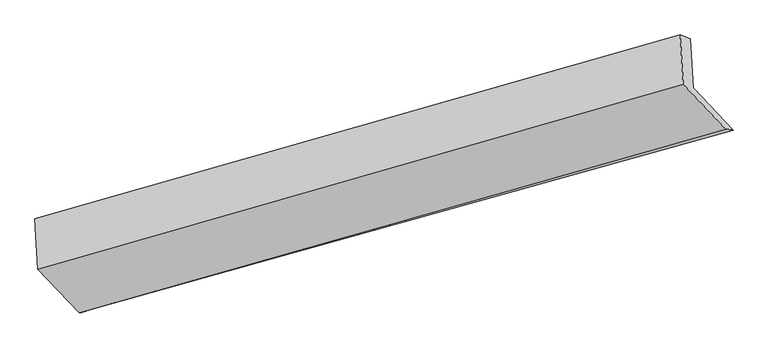
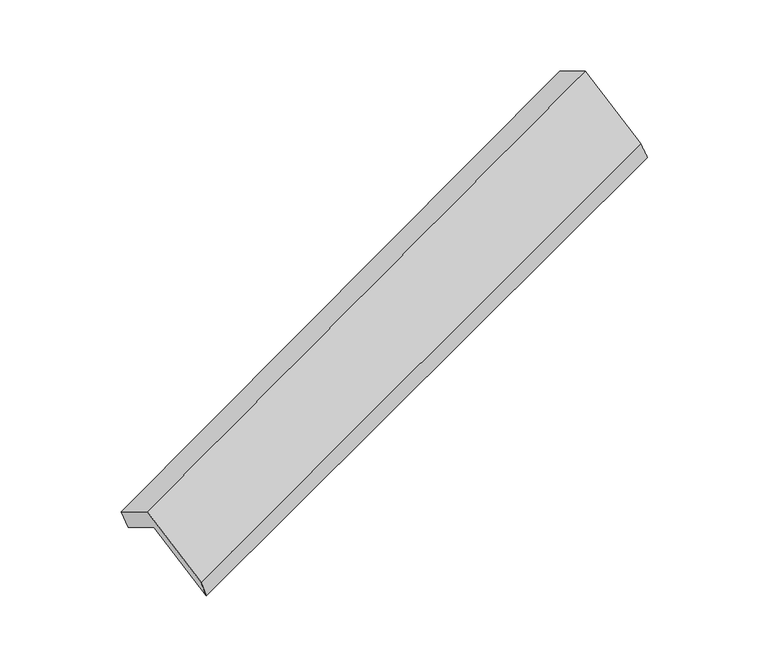
"""IFC4 building model written with IfcOpenShell, lengths in millimetres: proxy geometry."""

import ifcopenshell
import ifcopenshell.guid

model = None  # the IFC model being written
_history = None  # IfcOwnerHistory: only IFC2X3 demands one
_inside = {}  # id of a spatial element -> (the spatial element, [elements in it])
_under = {}  # id of a project, library or spatial element -> (it, [spatial elements below it])
_declared = {}  # id of a project -> (the project, [libraries it declares])
_typed = {}  # id of a type object -> (the type object, [elements of that type])
_made_of = {}  # id of a material, layer set ... -> (it, [elements and type objects made of it])


def new_model(schema):
    """Start an empty IFC model of exactly this schema.

    Asked for "IFC4X3", IfcOpenShell would pick the latest addendum, in which some entities
    have other attributes; the version numbers below select the first issue.
    IFC2X3 requires an IfcOwnerHistory on every rooted entity: one is made here for all.
    """
    global model, _history
    if schema == "IFC4X3":
        model = ifcopenshell.file(schema_version=(4, 3, 0, 0))
    else:
        model = ifcopenshell.file(schema=schema)
    _inside.clear()
    _under.clear()
    _declared.clear()
    _typed.clear()
    _made_of.clear()
    _history = None
    if model.schema == "IFC2X3":
        org = make("IfcOrganization", Name="unknown")
        user = make(
            "IfcPersonAndOrganization",
            ThePerson=make("IfcPerson", FamilyName="unknown"),
            TheOrganization=org,
        )
        app = make(
            "IfcApplication",
            ApplicationDeveloper=org,
            Version="unknown",
            ApplicationFullName="unknown",
            ApplicationIdentifier="unknown",
        )
        _history = make(
            "IfcOwnerHistory",
            OwningUser=user,
            OwningApplication=app,
            ChangeAction="ADDED",
            CreationDate=0,
        )
    return model


def make(cls, **values):
    """One entity of the class cls with the attributes given. An attribute that is None is left unset."""
    return model.create_entity(
        cls, **{name: value for name, value in values.items() if value is not None}
    )


def rooted(cls, **values):
    """An entity with a GlobalId (a new one), such as an element, a storey or a relation."""
    return make(cls, GlobalId=ifcopenshell.guid.new(), OwnerHistory=_history, **values)


def si_unit(unit_type, name, prefix=None):
    """IfcSIUnit, for example si_unit("LENGTHUNIT", "METRE", prefix="MILLI")."""
    return make("IfcSIUnit", UnitType=unit_type, Prefix=prefix, Name=name)


def assignment(units):
    """IfcUnitAssignment: the units of a project."""
    return None if units is None else make("IfcUnitAssignment", Units=units)


def point(xyz):
    """IfcCartesianPoint."""
    return None if xyz is None else make("IfcCartesianPoint", Coordinates=xyz)


def direction(xyz):
    """IfcDirection."""
    return None if xyz is None else make("IfcDirection", DirectionRatios=xyz)


def frame(location, z_axis=None, x_axis=None):
    """IfcAxis2Placement3D, a coordinate frame: its origin and axes. An axis left out is left unset."""
    return make(
        "IfcAxis2Placement3D",
        Location=point(location),
        Axis=direction(z_axis),
        RefDirection=direction(x_axis),
    )


def origin():
    """The frame at (0, 0, 0) with its axes left unset."""
    return frame((0.0, 0.0, 0.0))


def place(relative_to, where):
    """IfcLocalPlacement: puts the frame where relative to a parent placement (None: the world)."""
    return make(
        "IfcLocalPlacement", PlacementRelTo=relative_to, RelativePlacement=where
    )


def context(
    kind, dimensions, precision=None, world=None, true_north=None, identifier=None
):
    """IfcGeometricRepresentationContext, for example the 3D "Model" context."""
    return make(
        "IfcGeometricRepresentationContext",
        ContextIdentifier=identifier,
        ContextType=kind,
        CoordinateSpaceDimension=dimensions,
        Precision=precision,
        WorldCoordinateSystem=world,
        TrueNorth=true_north,
    )


def project(units=None, contexts=None):
    """IfcProject with its units and contexts."""
    return rooted(
        "IfcProject",
        Name="project",
        RepresentationContexts=contexts,
        UnitsInContext=assignment(units),
    )


def spatial(cls, under=None, at=None, **own):
    """A site, building, storey or space (cls), placed at a placement, below another one or the project."""
    s = rooted(cls, ObjectPlacement=at, **own)
    if under is not None:
        _under.setdefault(under.id(), (under, []))[1].append(s)
    return s


def shape(context_of_items, identifier, shape_type, items):
    """IfcShapeRepresentation: the items that make up one representation, for example the "Body"."""
    return make(
        "IfcShapeRepresentation",
        ContextOfItems=context_of_items,
        RepresentationIdentifier=identifier,
        RepresentationType=shape_type,
        Items=items,
    )


def source(mapping_origin, context_of_items, identifier, shape_type, items):
    """IfcRepresentationMap: a shape defined once, which mapped items show again and again."""
    return make(
        "IfcRepresentationMap",
        MappingOrigin=mapping_origin,
        MappedRepresentation=shape(context_of_items, identifier, shape_type, items),
    )


def transform(
    local_origin,
    x_axis=None,
    y_axis=None,
    z_axis=None,
    scale=None,
    scale2=None,
    scale3=None,
    uniform=True,
):
    """IfcCartesianTransformationOperator3D, or its non-uniform kind. x_axis, y_axis, z_axis: its Axis1, 2, 3."""
    if uniform:
        return make(
            "IfcCartesianTransformationOperator3D",
            Axis1=direction(x_axis),
            Axis2=direction(y_axis),
            LocalOrigin=point(local_origin),
            Scale=scale,
            Axis3=direction(z_axis),
        )
    return make(
        "IfcCartesianTransformationOperator3DnonUniform",
        Axis1=direction(x_axis),
        Axis2=direction(y_axis),
        LocalOrigin=point(local_origin),
        Scale=scale,
        Axis3=direction(z_axis),
        Scale2=scale2,
        Scale3=scale3,
    )


def mapped(mapping_source, mapping_target):
    """IfcMappedItem: shows the shape of a source again, moved by a transform."""
    return make(
        "IfcMappedItem", MappingSource=mapping_source, MappingTarget=mapping_target
    )


def made_of(thing, what):
    """Note that an element or type object is made of a material, layer set ...; save() writes the relation."""
    if what is not None:
        _made_of.setdefault(what.id(), (what, []))[1].append(thing)
    return thing


def element(
    cls,
    number,
    at=None,
    inside=None,
    cuts=None,
    type_object=None,
    material=None,
    context=None,
    identifier="Body",
    shape_type=None,
    held_by="IfcProductDefinitionShape",
    body=None,
    shapes=None,
    **own,
):
    """One element of the class cls, such as IfcWall. Its Tag is "e" and its number.

    at: its placement. inside: the storey or other place that contains it. cuts: it is an
    opening in that element (IfcRelVoidsElement). A single representation is given by context,
    identifier, shape_type and body (its items); several are given by shapes. held_by: the class
    of the entity that holds the representations. save() writes the other relations.
    """
    e = rooted(cls, Tag="e%d" % number, ObjectPlacement=at, **own)
    if body is not None:
        shapes = [shape(context, identifier, shape_type, body)]
    if shapes is not None:
        e.Representation = make(held_by, Representations=shapes)
    if inside is not None:
        _inside.setdefault(inside.id(), (inside, []))[1].append(e)
    if cuts is not None:
        rooted(
            "IfcRelVoidsElement", RelatingBuildingElement=cuts, RelatedOpeningElement=e
        )
    if type_object is not None:
        _typed.setdefault(type_object.id(), (type_object, []))[1].append(e)
    return made_of(e, material)


def aggregate(whole, parts):
    """IfcRelAggregates: a whole, such as a stair, and the parts it consists of."""
    return rooted("IfcRelAggregates", RelatingObject=whole, RelatedObjects=parts)


def save(model, path):
    """Write the relations noted so far, then the file.

    IfcRelAggregates (storeys below a building ...), IfcRelContainedInSpatialStructure (elements
    in a storey), IfcRelDefinesByType, IfcRelAssociatesMaterial and IfcRelDeclares: one each for
    every whole, place, type object, material and project.
    """
    for whole, parts in _under.values():
        aggregate(whole, parts)
    for where, things in _inside.values():
        rooted(
            "IfcRelContainedInSpatialStructure",
            RelatedElements=things,
            RelatingStructure=where,
        )
    for kind, things in _typed.values():
        rooted("IfcRelDefinesByType", RelatedObjects=things, RelatingType=kind)
    for what, things in _made_of.values():
        rooted("IfcRelAssociatesMaterial", RelatedObjects=things, RelatingMaterial=what)
    for by, libraries in _declared.values():
        rooted("IfcRelDeclares", RelatingContext=by, RelatedDefinitions=libraries)
    model.write(path)


def plane_surface(at):
    """IfcPlane: the flat surface through the origin of the frame at, square to its z axis."""
    return make("IfcPlane", Position=at)


def spline_surface(u_degree, v_degree, points, u_multiplicities, v_multiplicities, u_knots, v_knots, weights=None):
    """IfcBSplineSurfaceWithKnots; with weights, IfcRationalBSplineSurfaceWithKnots. points: one row for each step in u."""
    own = dict(
        UDegree=u_degree,
        VDegree=v_degree,
        ControlPointsList=[[point(p) for p in row] for row in points],
        SurfaceForm="UNSPECIFIED",
        UClosed=False,
        VClosed=False,
        SelfIntersect=False,
        UMultiplicities=u_multiplicities,
        VMultiplicities=v_multiplicities,
        UKnots=u_knots,
        VKnots=v_knots,
        KnotSpec="UNSPECIFIED",
    )
    if weights is None:
        return make("IfcBSplineSurfaceWithKnots", **own)
    return make("IfcRationalBSplineSurfaceWithKnots", WeightsData=weights, **own)


def advanced_brep(points, edges, surfaces, faces):
    """IfcAdvancedBrep: a solid bounded by faces that lie on surfaces and meet in shared edges.

    An edge is (start, end): straight between two places in points (the first is 0);
    or (start, end, curve); or (start, end, curve, False) where it runs against its curve.
    A face is (place in surfaces, loops), or (place, loops, False) where it looks against
    its surface's normal. A loop lists edges by number (the first is 1), with a minus sign
    where the edge is run from its end to its start. The first loop is the outer one.
    """
    corners = [point(p) for p in points]
    vertices = [make("IfcVertexPoint", VertexGeometry=c) for c in corners]
    made = []
    for start, end, *more in edges:
        made.append(
            make(
                "IfcEdgeCurve",
                EdgeStart=vertices[start],
                EdgeEnd=vertices[end],
                EdgeGeometry=more[0] if more else make("IfcPolyline", Points=[corners[start], corners[end]]),
                SameSense=more[1] if len(more) > 1 else True,
            )
        )
    hull = []
    for where, loops, *sense in faces:
        bounds = []
        for j, loop in enumerate(loops):
            ring = [make("IfcOrientedEdge", EdgeElement=made[abs(k) - 1], Orientation=k > 0) for k in loop]
            bounds.append(
                make(
                    "IfcFaceOuterBound" if j == 0 else "IfcFaceBound",
                    Bound=make("IfcEdgeLoop", EdgeList=ring),
                    Orientation=True,
                )
            )
        hull.append(make("IfcAdvancedFace", Bounds=bounds, FaceSurface=surfaces[where], SameSense=sense[0] if sense else True))
    return make("IfcAdvancedBrep", Outer=make("IfcClosedShell", CfsFaces=hull))


def generic_models_fd72d62e(model_context):
    return source(origin(), model_context, "Body", "AdvancedBrep", [
        advanced_brep(
        [(-5125.7995738, -2142.2792957, 1286.3479961), (-5146.0658991, -1802.3279599, 1089.3363256), (-724.1347833, -572.5349228, 2696.6037294), (-704.126014, -908.1659619, 2891.1116625), (-5205.8732055, -1802.2531293, 1252.3565953), (-793.2166536, -546.412708, 2865.5835495), (-5185.3088201, -2147.204184, 1452.265748), (-773.1673804, -882.7231693, 3060.4852274), (-4904.360775, -2445.9359345, 907.891692), (-483.9749958, -1190.221117, 2500.1366714), (-4853.9383107, -2431.3490808, 759.5807839), (-432.2647509, -1197.235747, 2364.3444504)],
        [
            (0, 1),
            (1, 2),
            (2, 3),
            (3, 0),
            (1, 4),
            (4, 5),
            (5, 2),
            (4, 6),
            (6, 7),
            (7, 5),
            (6, 8),
            (8, 9),
            (9, 7),
            (8, 10),
            (10, 11),
            (11, 9),
            (10, 0),
            (3, 11),
        ],
        [
            plane_surface(frame((-5135.9327364, -1972.3036278, 1187.8421608), z_axis=(0.4122169769802633, -0.43830986290542523, -0.798725001467389), x_axis=(-0.0515112193235358, 0.8640593464475373, -0.5007474813720558))),
            spline_surface(1, 1, [[(-5146.0658991, -1802.3279599, 1089.3363256), (-724.1347833, -572.5349228, 2696.6037294)], [(-5205.8732055, -1802.2531293, 1252.3565953), (-793.2166536, -546.412708, 2865.5835495)]], [2, 2], [2, 2], [0.0, 1.0], [0.0, 1.0]),
            plane_surface(frame((-5195.5910128, -1974.7286567, 1352.3111717), z_axis=(-0.41595451561391866, 0.43728801741478074, 0.7973462427113084), x_axis=(0.051511219323535896, -0.8640593464475379, 0.5007474813720547))),
            plane_surface(frame((-5044.8347976, -2296.5700593, 1180.07872), z_axis=(0.06272961419358408, -0.8609393763965785, 0.50482510404396), x_axis=(0.41221697698027665, -0.4383098629054238, -0.7987250014673829))),
            spline_surface(1, 1, [[(-4904.360775, -2445.9359345, 907.891692), (-483.9749958, -1190.221117, 2500.1366714)], [(-4853.9383107, -2431.3490808, 759.5807839), (-432.2647509, -1197.235747, 2364.3444504)]], [2, 2], [2, 2], [0.0, 1.0], [0.0, 1.0]),
            plane_surface(frame((-4989.8689422, -2286.8141883, 1022.96439), z_axis=(-0.05805656446135582, 0.8622552563011449, -0.5031354770874259), x_axis=(-0.4122169769802766, 0.43830986290541507, 0.7987250014673877))),
            plane_surface(frame((-651.8140963, -882.882271, 2729.7108818), z_axis=(0.9096283626696375, 0.24755991173144457, 0.3336020562443732), x_axis=(0.35546041497435266, -0.048219135153890806, -0.9334467357012246))),
            plane_surface(frame((-5070.2244307, -2128.5582641, 1124.6298568), z_axis=(-0.9096283626696396, -0.2475599117315024, -0.3336020562443247), x_axis=(0.4122169769802642, -0.43830986290542806, -0.798725001467387))),
        ],
        [
            (0, [[1, 2, 3, 4]]),
            (1, [[5, 6, 7, -2]]),
            (2, [[8, 9, 10, -6]]),
            (3, [[11, 12, 13, -9]]),
            (4, [[14, 15, 16, -12]]),
            (5, [[17, -4, 18, -15]]),
            (6, [[-16, -18, -3, -7, -10, -13]]),
            (7, [[-17, -14, -11, -8, -5, -1]]),
        ],
    ),
    ])


if __name__ == "__main__":
    model = new_model("IFC4")
    model_context = context("Model", 3, world=origin())
    ifc_project = project(units=[si_unit("LENGTHUNIT", "METRE", prefix="MILLI")], contexts=[model_context])
    site = spatial("IfcSite", under=ifc_project)
    building = spatial("IfcBuilding", under=site)
    placement = place(None, origin())
    generic_models_shape = generic_models_fd72d62e(model_context)
    element("IfcBuildingElementProxy", 1, Name="Generic Models", at=placement, inside=building, context=model_context, shape_type="MappedRepresentation", body=[
        mapped(generic_models_shape, transform((0.0, 0.0, 0.0), x_axis=(1.0, 0.0, 0.0), y_axis=(0.0, 1.0, 0.0), z_axis=(0.0, 0.0, 1.0))),
    ])
    save(model, "model.ifc")
